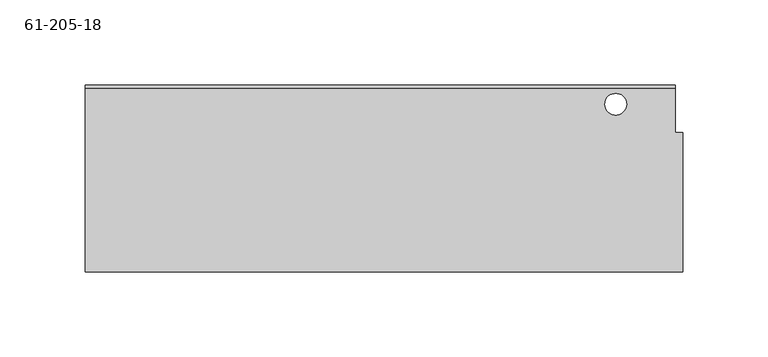
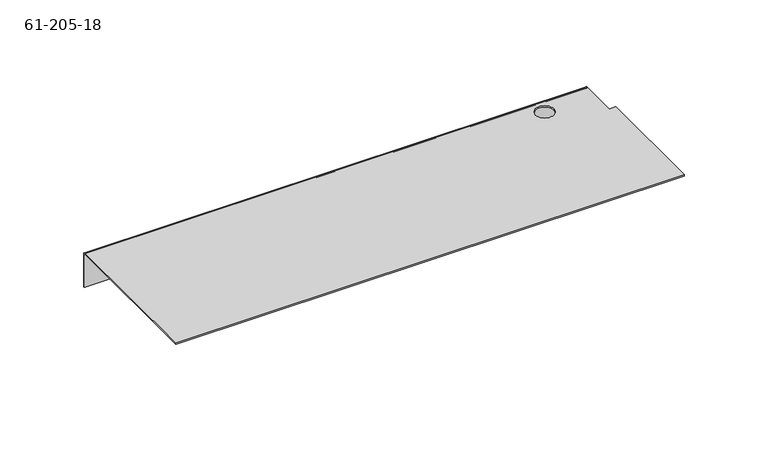
"""IFC4 building model written with IfcOpenShell, lengths in millimetres: proxy geometry, 61-205-18."""

from ifc_helpers import new_model, si_unit, frame, origin, place, context, project, spatial, polyline, circle_curve, source, transform, mapped, element, save
from ifc_brep_helpers import plane_surface, cylinder_surface, revolved_surface, advanced_brep


def proxy_61_205_18_e8bb60ab(model_context):
    return source(origin(), model_context, "Body", "AdvancedBrep", [
        advanced_brep(
        [(302.1769492, 2.4712015, -15.02156), (302.1769492, 3.3246415, -15.02156), (299.1289492, 3.3246415, -15.02156), (299.1289492, 2.4712015, -15.02156), (-2.6230508, 2.4712015, -15.02156), (-2.6230508, 3.3246415, -15.02156), (-5.6710508, 3.3246415, -15.02156), (-5.6710508, 2.4712015, -15.02156), (149.7769492, 2.4712015, -15.02156), (149.7769492, 3.3246415, -15.02156), (146.7289492, 3.3246415, -15.02156), (146.7289492, 2.4712015, -15.02156), (280.3837492, -7.9072385, 0.85344), (280.3837492, -7.9072385, 0.0), (293.0837492, -7.9072385, 0.0), (293.0837492, -7.9072385, 0.85344), (326.1037492, -24.4883585, 0.0), (321.6587492, -24.4883585, 0.0), (321.6587492, -24.4883585, 0.85344), (326.1037492, -24.4883585, 0.85344), (321.6587492, 3.3246415, -0.85344), (321.6587492, 1.6177615, 0.85344), (321.6587492, 1.6177615, 0.0), (321.6587492, 2.4712015, -0.85344), (321.6587492, 2.4712015, -24.54656), (321.6587492, 3.3246415, -24.54656), (-24.5762708, 3.3246415, -24.54656), (-24.5762708, 3.3246415, -0.85344), (-24.5762708, 2.4712015, -0.85344), (-24.5762708, 2.4712015, -24.54656), (-24.5762708, 1.6177615, 0.0), (326.1037492, -106.3525585, 0.0), (-24.5762708, -106.3525585, 0.0), (-24.5762708, 1.6177615, 0.85344), (-24.5762708, -106.3525585, 0.85344), (326.1037492, -106.3525585, 0.85344)],
        [
            (0, 1),
            (1, 2, circle_curve(frame((300.6529492, 3.3246415, -15.02156), z_axis=(0.0, 1.0, 0.0), x_axis=(1.0, 0.0, 0.0)), 1.524)),
            (2, 3),
            (3, 0, circle_curve(frame((300.6529492, 2.4712015, -15.02156), z_axis=(0.0, -1.0, 0.0), x_axis=(1.0, 0.0, 0.0)), 1.524)),
            (4, 5),
            (5, 6, circle_curve(frame((-4.1470508, 3.3246415, -15.02156), z_axis=(0.0, 1.0, 0.0), x_axis=(1.0, 0.0, 0.0)), 1.524)),
            (6, 7),
            (7, 4, circle_curve(frame((-4.1470508, 2.4712015, -15.02156), z_axis=(0.0, -1.0, 0.0), x_axis=(1.0, 0.0, 0.0)), 1.524)),
            (8, 9),
            (9, 10, circle_curve(frame((148.2529492, 3.3246415, -15.02156), z_axis=(0.0, 1.0, 0.0), x_axis=(1.0, 0.0, 0.0)), 1.524)),
            (10, 11),
            (11, 8, circle_curve(frame((148.2529492, 2.4712015, -15.02156), z_axis=(0.0, -1.0, 0.0), x_axis=(1.0, 0.0, 0.0)), 1.524)),
            (12, 13),
            (13, 14, circle_curve(frame((286.7337492, -7.9072385, 0.0), z_axis=(0.0, 0.0, -1.0), x_axis=(-1.0, 0.0, 0.0)), 6.35)),
            (14, 15),
            (15, 12, circle_curve(frame((286.7337492, -7.9072385, 0.85344), z_axis=(0.0, 0.0, 1.0), x_axis=(-1.0, 0.0, 0.0)), 6.35)),
            (12, 15, circle_curve(frame((286.7337492, -7.9072385, 0.85344), z_axis=(0.0, 0.0, 1.0), x_axis=(-1.0, 0.0, 0.0)), 6.35)),
            (14, 13, circle_curve(frame((286.7337492, -7.9072385, 0.0), z_axis=(0.0, 0.0, -1.0), x_axis=(-1.0, 0.0, 0.0)), 6.35)),
            (8, 11, circle_curve(frame((148.2529492, 2.4712015, -15.02156), z_axis=(0.0, -1.0, 0.0), x_axis=(1.0, 0.0, 0.0)), 1.524)),
            (10, 9, circle_curve(frame((148.2529492, 3.3246415, -15.02156), z_axis=(0.0, 1.0, 0.0), x_axis=(1.0, 0.0, 0.0)), 1.524)),
            (4, 7, circle_curve(frame((-4.1470508, 2.4712015, -15.02156), z_axis=(0.0, -1.0, 0.0), x_axis=(1.0, 0.0, 0.0)), 1.524)),
            (6, 5, circle_curve(frame((-4.1470508, 3.3246415, -15.02156), z_axis=(0.0, 1.0, 0.0), x_axis=(1.0, 0.0, 0.0)), 1.524)),
            (0, 3, circle_curve(frame((300.6529492, 2.4712015, -15.02156), z_axis=(0.0, -1.0, 0.0), x_axis=(1.0, 0.0, 0.0)), 1.524)),
            (2, 1, circle_curve(frame((300.6529492, 3.3246415, -15.02156), z_axis=(0.0, 1.0, 0.0), x_axis=(1.0, 0.0, 0.0)), 1.524)),
            (16, 17),
            (17, 18),
            (18, 19),
            (19, 16),
            (20, 21, circle_curve(frame((321.6587492, 1.6177615, -0.85344), z_axis=(1.0, 0.0, 0.0), x_axis=(0.0, 0.0, 1.0)), 1.70688)),
            (21, 18),
            (17, 22),
            (22, 23, circle_curve(frame((321.6587492, 1.6177615, -0.85344), z_axis=(-1.0, 0.0, 0.0), x_axis=(0.0, 0.0, 1.0)), 0.85344)),
            (23, 24),
            (24, 25),
            (25, 20),
            (25, 26),
            (26, 27),
            (27, 20),
            (23, 28),
            (28, 29),
            (29, 24),
            (22, 30),
            (30, 28, circle_curve(frame((-24.5762708, 1.6177615, -0.85344), z_axis=(-1.0, 0.0, 0.0), x_axis=(0.0, 0.0, 1.0)), 0.85344)),
            (16, 31),
            (31, 32),
            (32, 30),
            (27, 33, circle_curve(frame((-24.5762708, 1.6177615, -0.85344), z_axis=(1.0, 0.0, 0.0), x_axis=(0.0, 0.0, 1.0)), 1.70688)),
            (33, 21),
            (33, 34),
            (34, 35),
            (35, 19),
            (34, 32),
            (31, 35),
            (26, 29),
        ],
        [
            revolved_surface(polyline([(302.1769492, 3.3246415, -15.02156), (302.1769492, 2.4712015, -15.02156)]), (300.6529492, 2.8979215, -15.02156), (0.0, 1.0, 0.0)),
            revolved_surface(polyline([(-2.6230507999999997, 3.3246415, -15.02156), (-2.6230507999999997, 2.4712015, -15.02156)]), (-4.1470508, 2.8979215, -15.02156), (0.0, 1.0, 0.0)),
            revolved_surface(polyline([(149.7769492, 3.3246415, -15.02156), (149.7769492, 2.4712015, -15.02156)]), (148.2529492, 2.8979215, -15.02156), (0.0, 1.0, 0.0)),
            revolved_surface(polyline([(280.38374919999995, -7.9072385, 0.0), (280.38374919999995, -7.9072385, 0.8534400000000009)]), (286.7337492, -7.9072385, 9.525), (0.0, 0.0, -1.0)),
            plane_surface(frame((321.6587492, -24.4883585, 0.85344), z_axis=(0.0, 1.0, 0.0), x_axis=(0.0, 0.0, -1.0))),
            plane_surface(frame((321.6587492, 3.3246415, 0.85344), z_axis=(1.0, 0.0, 0.0), x_axis=(0.0, 0.0, 1.0))),
            plane_surface(frame((150.7637392, 3.3246415, -11.84656), z_axis=(0.0, 1.0, 0.0), x_axis=(0.0, 0.0, 1.0))),
            plane_surface(frame((150.7637392, 2.4712015, -11.84656), z_axis=(0.0, -1.0, 0.0), x_axis=(0.0, 0.0, 1.0))),
            revolved_surface(polyline([(-24.576270800000003, 1.6177615, 0.0), (321.6587492, 1.6177615, 0.0)]), (150.7637392, 1.6177615, -0.85344), (-1.0, 0.0, 0.0)),
            plane_surface(frame((150.7637392, -51.5139585, 0.0), z_axis=(0.0, 0.0, -1.0), x_axis=(1.0, 0.0, 0.0))),
            cylinder_surface(frame((150.7637392, 1.6177615, -0.85344), z_axis=(-1.0, 0.0, 0.0), x_axis=(0.0, 0.0, 1.0)), 1.70688),
            plane_surface(frame((150.7637392, -51.5139585, 0.85344), z_axis=(0.0, 0.0, 1.0), x_axis=(1.0, 0.0, 0.0))),
            plane_surface(frame((326.1037492, -106.3525585, 0.0), z_axis=(0.0, -1.0, 0.0), x_axis=(0.0, 0.0, -1.0))),
            plane_surface(frame((-24.5762708, 3.3246415, -24.54656), z_axis=(-1.0, 0.0, 0.0), x_axis=(0.0, 0.0, 1.0))),
            plane_surface(frame((326.1037492, 3.3246415, 0.85344), z_axis=(1.0, 0.0, 0.0), x_axis=(0.0, 0.0, -1.0))),
            plane_surface(frame((326.1037492, 3.3246415, -24.54656), z_axis=(0.0, 0.0, -1.0), x_axis=(-1.0, 0.0, 0.0))),
        ],
        [
            (0, [[1, 2, 3, 4]]),
            (1, [[5, 6, 7, 8]]),
            (2, [[9, 10, 11, 12]]),
            (3, [[13, 14, 15, 16]]),
            (3, [[-13, 17, -15, 18]]),
            (2, [[-9, 19, -11, 20]]),
            (1, [[-5, 21, -7, 22]]),
            (0, [[-1, 23, -3, 24]]),
            (4, [[25, 26, 27, 28]]),
            (5, [[29, 30, -26, 31, 32, 33, 34, 35]]),
            (6, [[-35, 36, 37, 38], [-20, -10], [-22, -6], [-24, -2]]),
            (7, [[-33, 39, 40, 41], [-4, -23], [-8, -21], [-12, -19]]),
            (8, [[-32, 42, 43, -39]]),
            (9, [[-31, -25, 44, 45, 46, -42], [-18, -14]]),
            (10, [[-29, -38, 47, 48]]),
            (11, [[-30, -48, 49, 50, 51, -27], [-17, -16]]),
            (12, [[-50, 52, -45, 53]]),
            (13, [[-37, 54, -40, -43, -46, -52, -49, -47]]),
            (14, [[-28, -51, -53, -44]]),
            (15, [[-34, -41, -54, -36]]),
        ],
    ),
    ])


if __name__ == "__main__":
    model = new_model("IFC4")
    model_context = context("Model", 3, world=origin())
    ifc_project = project(units=[si_unit("LENGTHUNIT", "METRE", prefix="MILLI")], contexts=[model_context])
    site = spatial("IfcSite", under=ifc_project)
    building = spatial("IfcBuilding", under=site)
    placement = place(None, origin())
    proxy_61_205_18_shape = proxy_61_205_18_e8bb60ab(model_context)
    element("IfcBuildingElementProxy", 1, Name="61-205-18", ObjectType="61-205-18", at=placement, inside=building, context=model_context, shape_type="MappedRepresentation", body=[
        mapped(proxy_61_205_18_shape, transform((0.0, 0.0, 0.0), x_axis=(1.0, 0.0, 0.0), y_axis=(0.0, 1.0, 0.0), z_axis=(0.0, 0.0, 1.0))),
    ])
    save(model, "model.ifc")
